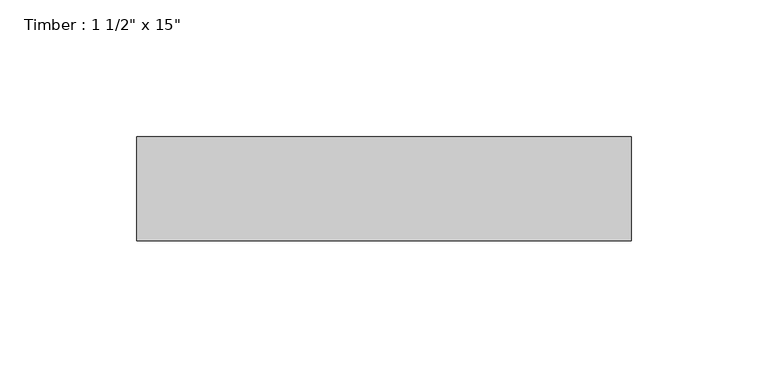
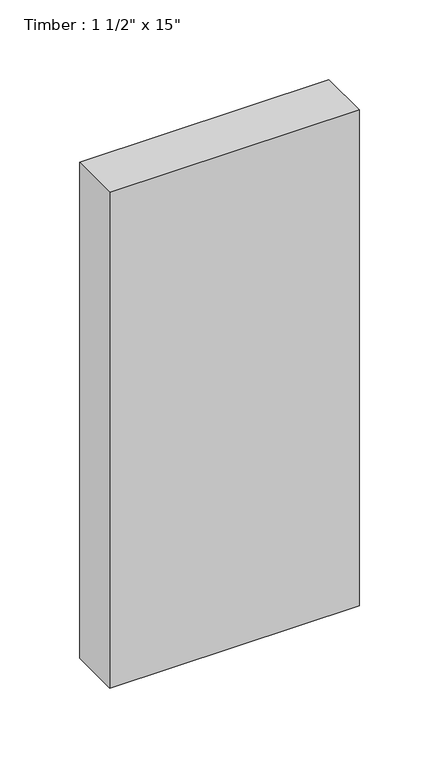
"""IFC4 building model written with IfcOpenShell, lengths in millimetres: beam geometry."""

from ifc_helpers import new_model, si_unit, frame, origin, place, context, project, spatial, polyline, outline, extrude, source, transform, mapped, element, save


def beam_9f1d0478(model_context):
    return source(origin(), model_context, "Body", "SweptSolid", [
        extrude(outline(polyline([(90.4875, 19.05), (90.4875, -19.05), (-90.4875, -19.05), (-90.4875, 19.05), (90.4875, 19.05)])), frame((0.0, 0.0, -190.5), z_axis=(0.0, 0.0, 1.0), x_axis=(1.0, 0.0, 0.0)), (0.0, 0.0, 1.0), 381.0),
    ])


if __name__ == "__main__":
    model = new_model("IFC4")
    model_context = context("Model", 3, world=origin())
    ifc_project = project(units=[si_unit("LENGTHUNIT", "METRE", prefix="MILLI")], contexts=[model_context])
    site = spatial("IfcSite", under=ifc_project)
    building = spatial("IfcBuilding", under=site)
    placement = place(None, origin())
    beam_shape = beam_9f1d0478(model_context)
    element("IfcBeam", 1, ObjectType="Timber : 1 1/2\" x 15\"", at=placement, inside=building, context=model_context, shape_type="MappedRepresentation", body=[
        mapped(beam_shape, transform((0.0, 0.0, 0.0), x_axis=(1.0, 0.0, 0.0), y_axis=(0.0, 1.0, 0.0), z_axis=(0.0, 0.0, 1.0))),
    ])
    save(model, "model.ifc")
